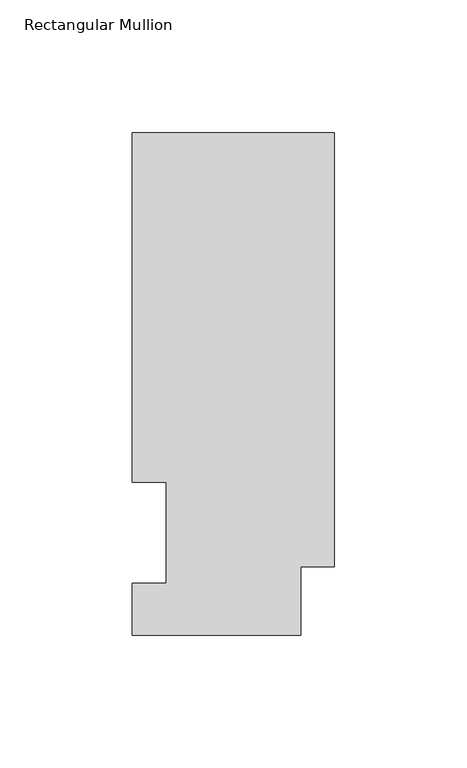
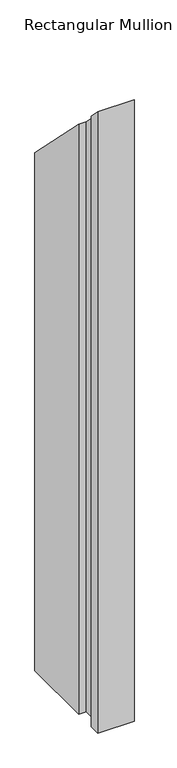
"""IFC4 building model written with IfcOpenShell, lengths in millimetres: member geometry, Rectangular Mullion."""

from ifc_helpers import new_model, si_unit, origin, place, context, project, spatial, faceted_brep, source, transform, mapped, element, save


def rectangular_mullion_35b3be54(model_context):
    return source(origin(), model_context, "Body", "Brep", [
        faceted_brep([(0.0, 189.8022938, -1143.0134937), (0.0, 25.8955957, -1143.0134937), (-12.7, 25.8955957, -1143.0134937), (-12.7, 0.0134938, -1143.0134937), (-76.2, 0.0134938, -1143.0134937), (-76.2, 19.5460938, -1143.0134937), (-63.5, 19.5460938, -1143.0134937), (-63.5, 57.6460937, -1143.0134937), (-76.2, 57.6460937, -1143.0134937), (-76.2, 189.8022938, -1143.0134937), (-76.2, 189.8022937, -189.8022938), (0.0, 189.8022938, -189.8022938), (-76.2, 57.6460937, -57.6460938), (-63.5, 57.6460937, -57.6460938), (-63.5, 19.5460938, -19.5460938), (-76.2, 19.5460938, -19.5460938), (-76.2, 0.0134938, -0.0134938), (-12.7, 0.0134938, -0.0134938), (-12.7, 25.8955957, -25.8955957), (0.0, 25.8955957, -25.8955957)], [[[0, 1, 2, 3, 4, 5, 6, 7, 8, 9]], [[10, 11, 0, 9]], [[12, 10, 9, 8]], [[13, 12, 8, 7]], [[14, 13, 7, 6]], [[15, 14, 6, 5]], [[16, 15, 5, 4]], [[17, 16, 4, 3]], [[18, 17, 3, 2]], [[19, 18, 2, 1]], [[11, 19, 1, 0]], [[11, 10, 12, 13, 14, 15, 16, 17, 18, 19]]]),
    ])


if __name__ == "__main__":
    model = new_model("IFC4")
    model_context = context("Model", 3, world=origin())
    ifc_project = project(units=[si_unit("LENGTHUNIT", "METRE", prefix="MILLI")], contexts=[model_context])
    site = spatial("IfcSite", under=ifc_project)
    building = spatial("IfcBuilding", under=site)
    placement = place(None, origin())
    rectangular_mullion_shape = rectangular_mullion_35b3be54(model_context)
    element("IfcMember", 1, ObjectType="Rectangular Mullion", at=placement, inside=building, context=model_context, shape_type="MappedRepresentation", body=[
        mapped(rectangular_mullion_shape, transform((0.0, 0.0, 0.0), x_axis=(1.0, 0.0, 0.0), y_axis=(0.0, 1.0, 0.0), z_axis=(0.0, 0.0, 1.0))),
    ])
    save(model, "model.ifc")
